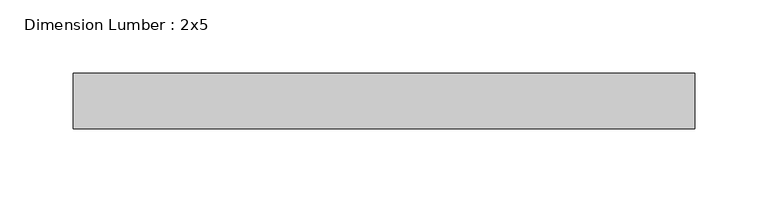
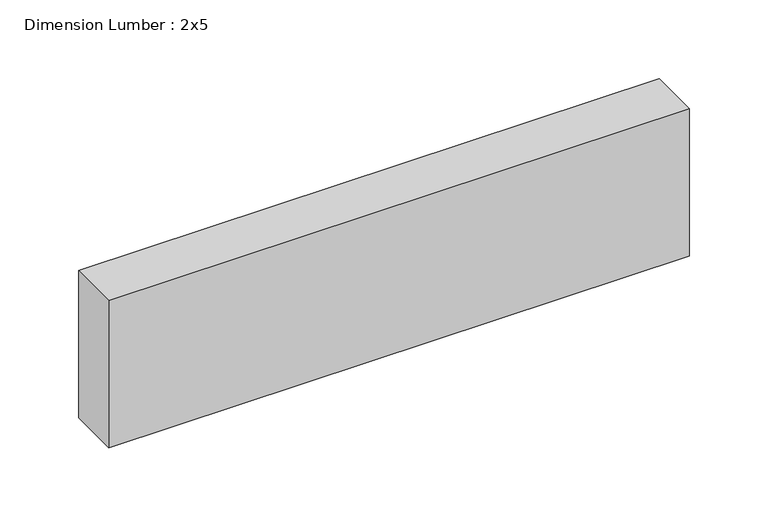
"""IFC4 building model written with IfcOpenShell, lengths in millimetres: beam geometry, Dimension Lumber : 2x5."""

import ifcopenshell
import ifcopenshell.guid

model = None  # the IFC model being written
_history = None  # IfcOwnerHistory: only IFC2X3 demands one
_inside = {}  # id of a spatial element -> (the spatial element, [elements in it])
_under = {}  # id of a project, library or spatial element -> (it, [spatial elements below it])
_declared = {}  # id of a project -> (the project, [libraries it declares])
_typed = {}  # id of a type object -> (the type object, [elements of that type])
_made_of = {}  # id of a material, layer set ... -> (it, [elements and type objects made of it])


def new_model(schema):
    """Start an empty IFC model of exactly this schema.

    Asked for "IFC4X3", IfcOpenShell would pick the latest addendum, in which some entities
    have other attributes; the version numbers below select the first issue.
    IFC2X3 requires an IfcOwnerHistory on every rooted entity: one is made here for all.
    """
    global model, _history
    if schema == "IFC4X3":
        model = ifcopenshell.file(schema_version=(4, 3, 0, 0))
    else:
        model = ifcopenshell.file(schema=schema)
    _inside.clear()
    _under.clear()
    _declared.clear()
    _typed.clear()
    _made_of.clear()
    _history = None
    if model.schema == "IFC2X3":
        org = make("IfcOrganization", Name="unknown")
        user = make(
            "IfcPersonAndOrganization",
            ThePerson=make("IfcPerson", FamilyName="unknown"),
            TheOrganization=org,
        )
        app = make(
            "IfcApplication",
            ApplicationDeveloper=org,
            Version="unknown",
            ApplicationFullName="unknown",
            ApplicationIdentifier="unknown",
        )
        _history = make(
            "IfcOwnerHistory",
            OwningUser=user,
            OwningApplication=app,
            ChangeAction="ADDED",
            CreationDate=0,
        )
    return model


def make(cls, **values):
    """One entity of the class cls with the attributes given. An attribute that is None is left unset."""
    return model.create_entity(
        cls, **{name: value for name, value in values.items() if value is not None}
    )


def rooted(cls, **values):
    """An entity with a GlobalId (a new one), such as an element, a storey or a relation."""
    return make(cls, GlobalId=ifcopenshell.guid.new(), OwnerHistory=_history, **values)


def si_unit(unit_type, name, prefix=None):
    """IfcSIUnit, for example si_unit("LENGTHUNIT", "METRE", prefix="MILLI")."""
    return make("IfcSIUnit", UnitType=unit_type, Prefix=prefix, Name=name)


def assignment(units):
    """IfcUnitAssignment: the units of a project."""
    return None if units is None else make("IfcUnitAssignment", Units=units)


def point(xyz):
    """IfcCartesianPoint."""
    return None if xyz is None else make("IfcCartesianPoint", Coordinates=xyz)


def direction(xyz):
    """IfcDirection."""
    return None if xyz is None else make("IfcDirection", DirectionRatios=xyz)


def frame(location, z_axis=None, x_axis=None):
    """IfcAxis2Placement3D, a coordinate frame: its origin and axes. An axis left out is left unset."""
    return make(
        "IfcAxis2Placement3D",
        Location=point(location),
        Axis=direction(z_axis),
        RefDirection=direction(x_axis),
    )


def origin():
    """The frame at (0, 0, 0) with its axes left unset."""
    return frame((0.0, 0.0, 0.0))


def place(relative_to, where):
    """IfcLocalPlacement: puts the frame where relative to a parent placement (None: the world)."""
    return make(
        "IfcLocalPlacement", PlacementRelTo=relative_to, RelativePlacement=where
    )


def context(
    kind, dimensions, precision=None, world=None, true_north=None, identifier=None
):
    """IfcGeometricRepresentationContext, for example the 3D "Model" context."""
    return make(
        "IfcGeometricRepresentationContext",
        ContextIdentifier=identifier,
        ContextType=kind,
        CoordinateSpaceDimension=dimensions,
        Precision=precision,
        WorldCoordinateSystem=world,
        TrueNorth=true_north,
    )


def project(units=None, contexts=None):
    """IfcProject with its units and contexts."""
    return rooted(
        "IfcProject",
        Name="project",
        RepresentationContexts=contexts,
        UnitsInContext=assignment(units),
    )


def spatial(cls, under=None, at=None, **own):
    """A site, building, storey or space (cls), placed at a placement, below another one or the project."""
    s = rooted(cls, ObjectPlacement=at, **own)
    if under is not None:
        _under.setdefault(under.id(), (under, []))[1].append(s)
    return s


def polyline(points):
    """IfcPolyline through the points."""
    return make("IfcPolyline", Points=[point(p) for p in points])


def outline(outer, holes=None, kind="AREA"):
    """IfcArbitraryClosedProfileDef: a profile drawn as a closed curve; with holes, ...WithVoids."""
    if holes is None:
        return make("IfcArbitraryClosedProfileDef", ProfileType=kind, OuterCurve=outer)
    return make(
        "IfcArbitraryProfileDefWithVoids",
        ProfileType=kind,
        OuterCurve=outer,
        InnerCurves=holes,
    )


def extrude(swept, where, along, depth):
    """IfcExtrudedAreaSolid: the profile swept, set in the frame where, extruded along a direction by depth."""
    return make(
        "IfcExtrudedAreaSolid",
        SweptArea=swept,
        Position=where,
        ExtrudedDirection=direction(along),
        Depth=depth,
    )


def shape(context_of_items, identifier, shape_type, items):
    """IfcShapeRepresentation: the items that make up one representation, for example the "Body"."""
    return make(
        "IfcShapeRepresentation",
        ContextOfItems=context_of_items,
        RepresentationIdentifier=identifier,
        RepresentationType=shape_type,
        Items=items,
    )


def source(mapping_origin, context_of_items, identifier, shape_type, items):
    """IfcRepresentationMap: a shape defined once, which mapped items show again and again."""
    return make(
        "IfcRepresentationMap",
        MappingOrigin=mapping_origin,
        MappedRepresentation=shape(context_of_items, identifier, shape_type, items),
    )


def transform(
    local_origin,
    x_axis=None,
    y_axis=None,
    z_axis=None,
    scale=None,
    scale2=None,
    scale3=None,
    uniform=True,
):
    """IfcCartesianTransformationOperator3D, or its non-uniform kind. x_axis, y_axis, z_axis: its Axis1, 2, 3."""
    if uniform:
        return make(
            "IfcCartesianTransformationOperator3D",
            Axis1=direction(x_axis),
            Axis2=direction(y_axis),
            LocalOrigin=point(local_origin),
            Scale=scale,
            Axis3=direction(z_axis),
        )
    return make(
        "IfcCartesianTransformationOperator3DnonUniform",
        Axis1=direction(x_axis),
        Axis2=direction(y_axis),
        LocalOrigin=point(local_origin),
        Scale=scale,
        Axis3=direction(z_axis),
        Scale2=scale2,
        Scale3=scale3,
    )


def mapped(mapping_source, mapping_target):
    """IfcMappedItem: shows the shape of a source again, moved by a transform."""
    return make(
        "IfcMappedItem", MappingSource=mapping_source, MappingTarget=mapping_target
    )


def made_of(thing, what):
    """Note that an element or type object is made of a material, layer set ...; save() writes the relation."""
    if what is not None:
        _made_of.setdefault(what.id(), (what, []))[1].append(thing)
    return thing


def element(
    cls,
    number,
    at=None,
    inside=None,
    cuts=None,
    type_object=None,
    material=None,
    context=None,
    identifier="Body",
    shape_type=None,
    held_by="IfcProductDefinitionShape",
    body=None,
    shapes=None,
    **own,
):
    """One element of the class cls, such as IfcWall. Its Tag is "e" and its number.

    at: its placement. inside: the storey or other place that contains it. cuts: it is an
    opening in that element (IfcRelVoidsElement). A single representation is given by context,
    identifier, shape_type and body (its items); several are given by shapes. held_by: the class
    of the entity that holds the representations. save() writes the other relations.
    """
    e = rooted(cls, Tag="e%d" % number, ObjectPlacement=at, **own)
    if body is not None:
        shapes = [shape(context, identifier, shape_type, body)]
    if shapes is not None:
        e.Representation = make(held_by, Representations=shapes)
    if inside is not None:
        _inside.setdefault(inside.id(), (inside, []))[1].append(e)
    if cuts is not None:
        rooted(
            "IfcRelVoidsElement", RelatingBuildingElement=cuts, RelatedOpeningElement=e
        )
    if type_object is not None:
        _typed.setdefault(type_object.id(), (type_object, []))[1].append(e)
    return made_of(e, material)


def aggregate(whole, parts):
    """IfcRelAggregates: a whole, such as a stair, and the parts it consists of."""
    return rooted("IfcRelAggregates", RelatingObject=whole, RelatedObjects=parts)


def save(model, path):
    """Write the relations noted so far, then the file.

    IfcRelAggregates (storeys below a building ...), IfcRelContainedInSpatialStructure (elements
    in a storey), IfcRelDefinesByType, IfcRelAssociatesMaterial and IfcRelDeclares: one each for
    every whole, place, type object, material and project.
    """
    for whole, parts in _under.values():
        aggregate(whole, parts)
    for where, things in _inside.values():
        rooted(
            "IfcRelContainedInSpatialStructure",
            RelatedElements=things,
            RelatingStructure=where,
        )
    for kind, things in _typed.values():
        rooted("IfcRelDefinesByType", RelatedObjects=things, RelatingType=kind)
    for what, things in _made_of.values():
        rooted("IfcRelAssociatesMaterial", RelatedObjects=things, RelatingMaterial=what)
    for by, libraries in _declared.values():
        rooted("IfcRelDeclares", RelatingContext=by, RelatedDefinitions=libraries)
    model.write(path)


def dimension_lumber_2x5_8024ef9a(model_context):
    return source(origin(), model_context, "Body", "SweptSolid", [
        extrude(outline(polyline([(212.725, 19.05), (212.725, -19.05), (-212.725, -19.05), (-212.725, 19.05), (212.725, 19.05)])), frame((0.0, 0.0, -57.15), z_axis=(0.0, 0.0, 1.0), x_axis=(1.0, 0.0, 0.0)), (0.0, 0.0, 1.0), 114.3),
    ])


if __name__ == "__main__":
    model = new_model("IFC4")
    model_context = context("Model", 3, world=origin())
    ifc_project = project(units=[si_unit("LENGTHUNIT", "METRE", prefix="MILLI")], contexts=[model_context])
    site = spatial("IfcSite", under=ifc_project)
    building = spatial("IfcBuilding", under=site)
    placement = place(None, origin())
    dimension_lumber_2x5_shape = dimension_lumber_2x5_8024ef9a(model_context)
    element("IfcBeam", 1, ObjectType="Dimension Lumber : 2x5", at=placement, inside=building, context=model_context, shape_type="MappedRepresentation", body=[
        mapped(dimension_lumber_2x5_shape, transform((0.0, 0.0, 0.0), x_axis=(1.0, 0.0, 0.0), y_axis=(0.0, 1.0, 0.0), z_axis=(0.0, 0.0, 1.0))),
    ])
    save(model, "model.ifc")
